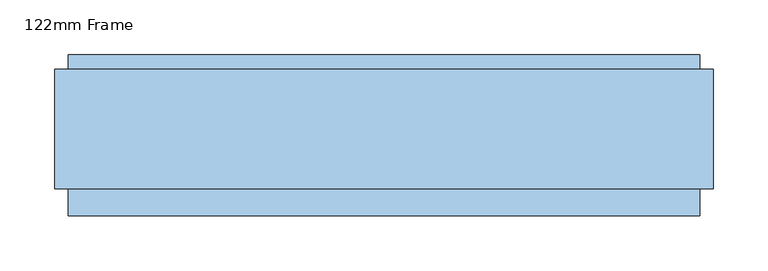
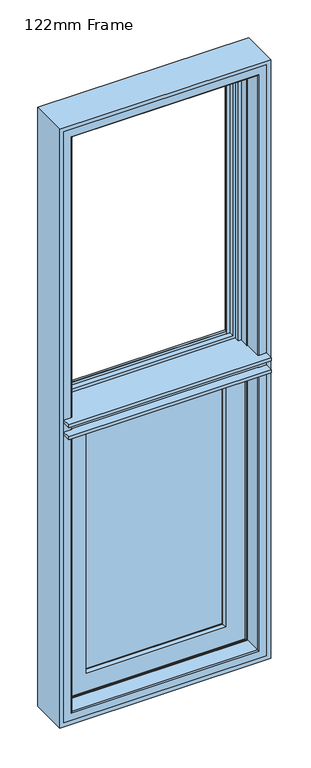
"""IFC4 building model written with IfcOpenShell, lengths in millimetres: window geometry, 122mm Frame."""

import ifcopenshell
import ifcopenshell.guid

model = None  # the IFC model being written
_history = None  # IfcOwnerHistory: only IFC2X3 demands one
_inside = {}  # id of a spatial element -> (the spatial element, [elements in it])
_under = {}  # id of a project, library or spatial element -> (it, [spatial elements below it])
_declared = {}  # id of a project -> (the project, [libraries it declares])
_typed = {}  # id of a type object -> (the type object, [elements of that type])
_made_of = {}  # id of a material, layer set ... -> (it, [elements and type objects made of it])


def new_model(schema):
    """Start an empty IFC model of exactly this schema.

    Asked for "IFC4X3", IfcOpenShell would pick the latest addendum, in which some entities
    have other attributes; the version numbers below select the first issue.
    IFC2X3 requires an IfcOwnerHistory on every rooted entity: one is made here for all.
    """
    global model, _history
    if schema == "IFC4X3":
        model = ifcopenshell.file(schema_version=(4, 3, 0, 0))
    else:
        model = ifcopenshell.file(schema=schema)
    _inside.clear()
    _under.clear()
    _declared.clear()
    _typed.clear()
    _made_of.clear()
    _history = None
    if model.schema == "IFC2X3":
        org = make("IfcOrganization", Name="unknown")
        user = make(
            "IfcPersonAndOrganization",
            ThePerson=make("IfcPerson", FamilyName="unknown"),
            TheOrganization=org,
        )
        app = make(
            "IfcApplication",
            ApplicationDeveloper=org,
            Version="unknown",
            ApplicationFullName="unknown",
            ApplicationIdentifier="unknown",
        )
        _history = make(
            "IfcOwnerHistory",
            OwningUser=user,
            OwningApplication=app,
            ChangeAction="ADDED",
            CreationDate=0,
        )
    return model


def make(cls, **values):
    """One entity of the class cls with the attributes given. An attribute that is None is left unset."""
    return model.create_entity(
        cls, **{name: value for name, value in values.items() if value is not None}
    )


def rooted(cls, **values):
    """An entity with a GlobalId (a new one), such as an element, a storey or a relation."""
    return make(cls, GlobalId=ifcopenshell.guid.new(), OwnerHistory=_history, **values)


def si_unit(unit_type, name, prefix=None):
    """IfcSIUnit, for example si_unit("LENGTHUNIT", "METRE", prefix="MILLI")."""
    return make("IfcSIUnit", UnitType=unit_type, Prefix=prefix, Name=name)


def assignment(units):
    """IfcUnitAssignment: the units of a project."""
    return None if units is None else make("IfcUnitAssignment", Units=units)


def point(xyz):
    """IfcCartesianPoint."""
    return None if xyz is None else make("IfcCartesianPoint", Coordinates=xyz)


def direction(xyz):
    """IfcDirection."""
    return None if xyz is None else make("IfcDirection", DirectionRatios=xyz)


def frame(location, z_axis=None, x_axis=None):
    """IfcAxis2Placement3D, a coordinate frame: its origin and axes. An axis left out is left unset."""
    return make(
        "IfcAxis2Placement3D",
        Location=point(location),
        Axis=direction(z_axis),
        RefDirection=direction(x_axis),
    )


def origin():
    """The frame at (0, 0, 0) with its axes left unset."""
    return frame((0.0, 0.0, 0.0))


def place(relative_to, where):
    """IfcLocalPlacement: puts the frame where relative to a parent placement (None: the world)."""
    return make(
        "IfcLocalPlacement", PlacementRelTo=relative_to, RelativePlacement=where
    )


def context(
    kind, dimensions, precision=None, world=None, true_north=None, identifier=None
):
    """IfcGeometricRepresentationContext, for example the 3D "Model" context."""
    return make(
        "IfcGeometricRepresentationContext",
        ContextIdentifier=identifier,
        ContextType=kind,
        CoordinateSpaceDimension=dimensions,
        Precision=precision,
        WorldCoordinateSystem=world,
        TrueNorth=true_north,
    )


def project(units=None, contexts=None):
    """IfcProject with its units and contexts."""
    return rooted(
        "IfcProject",
        Name="project",
        RepresentationContexts=contexts,
        UnitsInContext=assignment(units),
    )


def spatial(cls, under=None, at=None, **own):
    """A site, building, storey or space (cls), placed at a placement, below another one or the project."""
    s = rooted(cls, ObjectPlacement=at, **own)
    if under is not None:
        _under.setdefault(under.id(), (under, []))[1].append(s)
    return s


def polyline(points):
    """IfcPolyline through the points."""
    return make("IfcPolyline", Points=[point(p) for p in points])


def circle_curve(where, radius):
    """IfcCircle in the frame where."""
    return make("IfcCircle", Position=where, Radius=radius)


def ellipse_curve(where, semi_axis1, semi_axis2):
    """IfcEllipse in the frame where."""
    return make(
        "IfcEllipse", Position=where, SemiAxis1=semi_axis1, SemiAxis2=semi_axis2
    )


def outline(outer, holes=None, kind="AREA"):
    """IfcArbitraryClosedProfileDef: a profile drawn as a closed curve; with holes, ...WithVoids."""
    if holes is None:
        return make("IfcArbitraryClosedProfileDef", ProfileType=kind, OuterCurve=outer)
    return make(
        "IfcArbitraryProfileDefWithVoids",
        ProfileType=kind,
        OuterCurve=outer,
        InnerCurves=holes,
    )


def extrude(swept, where, along, depth):
    """IfcExtrudedAreaSolid: the profile swept, set in the frame where, extruded along a direction by depth."""
    return make(
        "IfcExtrudedAreaSolid",
        SweptArea=swept,
        Position=where,
        ExtrudedDirection=direction(along),
        Depth=depth,
    )


def shape(context_of_items, identifier, shape_type, items):
    """IfcShapeRepresentation: the items that make up one representation, for example the "Body"."""
    return make(
        "IfcShapeRepresentation",
        ContextOfItems=context_of_items,
        RepresentationIdentifier=identifier,
        RepresentationType=shape_type,
        Items=items,
    )


def source(mapping_origin, context_of_items, identifier, shape_type, items):
    """IfcRepresentationMap: a shape defined once, which mapped items show again and again."""
    return make(
        "IfcRepresentationMap",
        MappingOrigin=mapping_origin,
        MappedRepresentation=shape(context_of_items, identifier, shape_type, items),
    )


def transform(
    local_origin,
    x_axis=None,
    y_axis=None,
    z_axis=None,
    scale=None,
    scale2=None,
    scale3=None,
    uniform=True,
):
    """IfcCartesianTransformationOperator3D, or its non-uniform kind. x_axis, y_axis, z_axis: its Axis1, 2, 3."""
    if uniform:
        return make(
            "IfcCartesianTransformationOperator3D",
            Axis1=direction(x_axis),
            Axis2=direction(y_axis),
            LocalOrigin=point(local_origin),
            Scale=scale,
            Axis3=direction(z_axis),
        )
    return make(
        "IfcCartesianTransformationOperator3DnonUniform",
        Axis1=direction(x_axis),
        Axis2=direction(y_axis),
        LocalOrigin=point(local_origin),
        Scale=scale,
        Axis3=direction(z_axis),
        Scale2=scale2,
        Scale3=scale3,
    )


def mapped(mapping_source, mapping_target):
    """IfcMappedItem: shows the shape of a source again, moved by a transform."""
    return make(
        "IfcMappedItem", MappingSource=mapping_source, MappingTarget=mapping_target
    )


def made_of(thing, what):
    """Note that an element or type object is made of a material, layer set ...; save() writes the relation."""
    if what is not None:
        _made_of.setdefault(what.id(), (what, []))[1].append(thing)
    return thing


def element(
    cls,
    number,
    at=None,
    inside=None,
    cuts=None,
    type_object=None,
    material=None,
    context=None,
    identifier="Body",
    shape_type=None,
    held_by="IfcProductDefinitionShape",
    body=None,
    shapes=None,
    **own,
):
    """One element of the class cls, such as IfcWall. Its Tag is "e" and its number.

    at: its placement. inside: the storey or other place that contains it. cuts: it is an
    opening in that element (IfcRelVoidsElement). A single representation is given by context,
    identifier, shape_type and body (its items); several are given by shapes. held_by: the class
    of the entity that holds the representations. save() writes the other relations.
    """
    e = rooted(cls, Tag="e%d" % number, ObjectPlacement=at, **own)
    if body is not None:
        shapes = [shape(context, identifier, shape_type, body)]
    if shapes is not None:
        e.Representation = make(held_by, Representations=shapes)
    if inside is not None:
        _inside.setdefault(inside.id(), (inside, []))[1].append(e)
    if cuts is not None:
        rooted(
            "IfcRelVoidsElement", RelatingBuildingElement=cuts, RelatedOpeningElement=e
        )
    if type_object is not None:
        _typed.setdefault(type_object.id(), (type_object, []))[1].append(e)
    return made_of(e, material)


def aggregate(whole, parts):
    """IfcRelAggregates: a whole, such as a stair, and the parts it consists of."""
    return rooted("IfcRelAggregates", RelatingObject=whole, RelatedObjects=parts)


def save(model, path):
    """Write the relations noted so far, then the file.

    IfcRelAggregates (storeys below a building ...), IfcRelContainedInSpatialStructure (elements
    in a storey), IfcRelDefinesByType, IfcRelAssociatesMaterial and IfcRelDeclares: one each for
    every whole, place, type object, material and project.
    """
    for whole, parts in _under.values():
        aggregate(whole, parts)
    for where, things in _inside.values():
        rooted(
            "IfcRelContainedInSpatialStructure",
            RelatedElements=things,
            RelatingStructure=where,
        )
    for kind, things in _typed.values():
        rooted("IfcRelDefinesByType", RelatedObjects=things, RelatingType=kind)
    for what, things in _made_of.values():
        rooted("IfcRelAssociatesMaterial", RelatedObjects=things, RelatingMaterial=what)
    for by, libraries in _declared.values():
        rooted("IfcRelDeclares", RelatingContext=by, RelatedDefinitions=libraries)
    model.write(path)


def plane_surface(at):
    """IfcPlane: the flat surface through the origin of the frame at, square to its z axis."""
    return make("IfcPlane", Position=at)


def cylinder_surface(at, radius):
    """IfcCylindricalSurface: all points at the distance radius from the z axis of the frame at."""
    return make("IfcCylindricalSurface", Position=at, Radius=radius)


def revolved_surface(curve, axis_point, axis_direction):
    """IfcSurfaceOfRevolution: the curve turned about the line through axis_point along axis_direction."""
    return make(
        "IfcSurfaceOfRevolution",
        SweptCurve=make("IfcArbitraryOpenProfileDef", ProfileType="CURVE", Curve=curve),
        AxisPosition=make("IfcAxis1Placement", Location=point(axis_point), Axis=direction(axis_direction)),
    )


def advanced_brep(points, edges, surfaces, faces):
    """IfcAdvancedBrep: a solid bounded by faces that lie on surfaces and meet in shared edges.

    An edge is (start, end): straight between two places in points (the first is 0);
    or (start, end, curve); or (start, end, curve, False) where it runs against its curve.
    A face is (place in surfaces, loops), or (place, loops, False) where it looks against
    its surface's normal. A loop lists edges by number (the first is 1), with a minus sign
    where the edge is run from its end to its start. The first loop is the outer one.
    """
    corners = [point(p) for p in points]
    vertices = [make("IfcVertexPoint", VertexGeometry=c) for c in corners]
    made = []
    for start, end, *more in edges:
        made.append(
            make(
                "IfcEdgeCurve",
                EdgeStart=vertices[start],
                EdgeEnd=vertices[end],
                EdgeGeometry=more[0] if more else make("IfcPolyline", Points=[corners[start], corners[end]]),
                SameSense=more[1] if len(more) > 1 else True,
            )
        )
    hull = []
    for where, loops, *sense in faces:
        bounds = []
        for j, loop in enumerate(loops):
            ring = [make("IfcOrientedEdge", EdgeElement=made[abs(k) - 1], Orientation=k > 0) for k in loop]
            bounds.append(
                make(
                    "IfcFaceOuterBound" if j == 0 else "IfcFaceBound",
                    Bound=make("IfcEdgeLoop", EdgeList=ring),
                    Orientation=True,
                )
            )
        hull.append(make("IfcAdvancedFace", Bounds=bounds, FaceSurface=surfaces[where], SameSense=sense[0] if sense else True))
    return make("IfcAdvancedBrep", Outer=make("IfcClosedShell", CfsFaces=hull))


def window_122mm_frame_d773d262(model_context):
    return source(origin(), model_context, "Body", "SolidModel", [
        extrude(outline(polyline([(-210.0, 141.0), (210.0, 141.0), (210.0, 93.0), (-210.0, 93.0), (-210.0, 141.0)])), frame((0.0, 0.0, 890.0), z_axis=(0.0, 0.0, 1.0), x_axis=(1.0, 0.0, 0.0)), (0.0, 0.0, 1.0), 744.0),
        advanced_brep(
        [(-232.3998467, 148.4070391, 1656.3998467), (-232.3998467, 153.0, 1656.3998467), (-232.3998467, 153.0, 867.6001533), (-232.3998467, 148.4070391, 867.6001533), (232.3998467, 153.0, 1656.3998467), (232.3998467, 153.0, 867.6001533), (-212.9631076, 153.0, 887.0368924), (212.9631076, 153.0, 887.0368924), (212.9631076, 153.0, 1636.9631076), (-212.9631076, 153.0, 1636.9631076), (232.3998467, 148.4070391, 867.6001533), (-237.6739389, 139.5531262, 1661.6739389), (-237.6739389, 139.5531262, 862.3260611), (237.6739389, 139.5531262, 862.3260611), (-239.5133955, 139.5531262, 1663.5133955), (239.5133955, 139.5531262, 1663.5133955), (239.5133955, 139.5531262, 860.4866045), (-239.5133955, 139.5531262, 860.4866045), (237.6739389, 139.5531262, 1661.6739389), (-239.5133955, 121.0, 1663.5133955), (-239.5133955, 121.0, 860.4866045), (239.5133955, 121.0, 860.4866045), (-249.5133955, 121.0, 1673.5133955), (249.5133955, 121.0, 1673.5133955), (249.5133955, 121.0, 850.4866045), (-249.5133955, 121.0, 850.4866045), (239.5133955, 121.0, 1663.5133955), (-249.5133955, 88.5, 1673.5133955), (-249.5133955, 88.5, 850.4866045), (249.5133955, 88.5, 850.4866045), (-260.2977, 88.5, 1684.2977), (260.2976999, 88.5, 1684.2977), (260.2976999, 88.5, 839.7023), (-260.2977, 88.5, 839.7023), (249.5133955, 88.5, 1673.5133955), (-260.2977, 83.5, 1684.2977), (-260.2977, 83.5, 839.7023), (260.2976999, 83.5, 839.7023), (260.2976999, 83.5, 1684.2977), (-253.5, 83.5, 1677.5), (253.5, 83.5, 1677.5), (253.5, 83.5, 846.5), (-253.5, 83.5, 846.5), (-253.5, 78.0, 1677.5), (-253.5, 78.0, 846.5), (253.5, 78.0, 846.5), (253.5, 78.0, 1677.5), (-198.3157816, 78.0, 1622.3157816), (198.3157816, 78.0, 1622.3157816), (198.3157816, 78.0, 901.6842184), (-198.3157816, 78.0, 901.6842184), (-196.0003067, 88.8934531, 1620.0003067), (-196.0003067, 88.8934531, 903.9996933), (196.0003067, 88.8934531, 903.9996933), (-196.0003067, 93.0, 1620.0003067), (-196.0003067, 93.0, 903.9996933), (196.0003067, 93.0, 903.9996933), (-210.0, 93.0, 1634.0), (210.0, 93.0, 1634.0), (210.0, 93.0, 890.0), (-210.0, 93.0, 890.0), (196.0003067, 93.0, 1620.0003067), (-210.0, 141.0, 1634.0), (-210.0, 141.0, 890.0), (210.0, 141.0, 890.0), (210.0, 141.0, 1634.0), (-195.5878486, 141.0, 1619.5878486), (195.5878486, 141.0, 1619.5878486), (195.5878486, 141.0, 904.4121514), (-195.5878486, 141.0, 904.4121514), (-199.2566168, 153.0, 1623.2566168), (-199.2566168, 153.0, 900.7433832), (199.2566168, 153.0, 900.7433832), (-206.0349044, 153.0, 1630.0349044), (206.0349044, 153.0, 1630.0349044), (206.0349044, 153.0, 893.9650956), (-206.0349044, 153.0, 893.9650956), (199.2566168, 153.0, 1623.2566168), (-207.3339425, 152.25, 1631.3339425), (-207.3339425, 152.25, 892.6660575), (207.3339425, 152.25, 892.6660575), (-211.6640695, 152.25, 1635.6640695), (-211.6640695, 152.25, 888.3359305), (211.6640695, 152.25, 888.3359305), (232.3998467, 148.4070391, 1656.3998467), (196.0003067, 88.8934531, 1620.0003067), (207.3339425, 152.25, 1631.3339425), (211.6640695, 152.25, 1635.6640695)],
        [
            (0, 1),
            (1, 2),
            (2, 3),
            (3, 0),
            (1, 4),
            (4, 5),
            (5, 2),
            (6, 7),
            (7, 8),
            (8, 9),
            (9, 6),
            (5, 10),
            (10, 3),
            (11, 0),
            (3, 12),
            (12, 11),
            (10, 13),
            (13, 12),
            (14, 15),
            (15, 16),
            (16, 17),
            (17, 14),
            (13, 18),
            (18, 11),
            (19, 14),
            (17, 20),
            (20, 19),
            (16, 21),
            (21, 20),
            (22, 23),
            (23, 24),
            (24, 25),
            (25, 22),
            (21, 26),
            (26, 19),
            (27, 22),
            (25, 28),
            (28, 27),
            (24, 29),
            (29, 28),
            (30, 31),
            (31, 32),
            (32, 33),
            (33, 30),
            (29, 34),
            (34, 27),
            (35, 30),
            (33, 36),
            (36, 35),
            (32, 37),
            (37, 36),
            (37, 38),
            (38, 35),
            (39, 40),
            (40, 41),
            (41, 42),
            (42, 39),
            (43, 39),
            (42, 44),
            (44, 43),
            (41, 45),
            (45, 44),
            (45, 46),
            (46, 43),
            (47, 48),
            (48, 49),
            (49, 50),
            (50, 47),
            (51, 47),
            (50, 52),
            (52, 51),
            (49, 53),
            (53, 52),
            (54, 51),
            (52, 55),
            (55, 54),
            (53, 56),
            (56, 55),
            (57, 58),
            (58, 59),
            (59, 60),
            (60, 57),
            (56, 61),
            (61, 54),
            (62, 57),
            (60, 63),
            (63, 62),
            (59, 64),
            (64, 63),
            (64, 65),
            (65, 62),
            (66, 67),
            (67, 68),
            (68, 69),
            (69, 66),
            (70, 66),
            (69, 71),
            (71, 70),
            (68, 72),
            (72, 71),
            (73, 74),
            (74, 75),
            (75, 76),
            (76, 73),
            (72, 77),
            (77, 70),
            (78, 73, ellipse_curve(frame((-206.0349044, 151.5, 1630.0349044), z_axis=(-0.7071067811865475, 0.0, -0.7071067811865475), x_axis=(-0.7071067811865474, 0.0, 0.7071067811865476)), 2.1213203, 1.5)),
            (76, 79, ellipse_curve(frame((-206.0349044, 151.5, 893.9650956), z_axis=(-0.7071067811865475, 0.0, 0.7071067811865475), x_axis=(0.7071067811865474, 0.0, 0.7071067811865476)), 2.1213203, 1.5)),
            (79, 78),
            (75, 80, ellipse_curve(frame((206.0349044, 151.5, 893.9650956), z_axis=(-0.7071067811865475, 0.0, -0.7071067811865475), x_axis=(-0.7071067811865476, 0.0, 0.7071067811865474)), 2.1213203, 1.5)),
            (80, 79),
            (81, 78, ellipse_curve(frame((-209.499006, 153.5, 1633.499006), z_axis=(0.7071067811865475, 0.0, 0.7071067811865475), x_axis=(0.7071067811865474, 0.0, -0.7071067811865476)), 3.5355339, 2.5)),
            (79, 82, ellipse_curve(frame((-209.499006, 153.5, 890.500994), z_axis=(0.7071067811865475, 0.0, -0.7071067811865475), x_axis=(-0.7071067811865474, 0.0, -0.7071067811865476)), 3.5355339, 2.5)),
            (82, 81),
            (80, 83, ellipse_curve(frame((209.499006, 153.5, 890.500994), z_axis=(0.7071067811865475, 0.0, 0.7071067811865475), x_axis=(0.7071067811865476, 0.0, -0.7071067811865474)), 3.5355339, 2.5)),
            (83, 82),
            (9, 81, ellipse_curve(frame((-212.9631076, 151.5, 1636.9631076), z_axis=(-0.7071067811865475, 0.0, -0.7071067811865475), x_axis=(-0.7071067811865474, 0.0, 0.7071067811865476)), 2.1213203, 1.5)),
            (82, 6, ellipse_curve(frame((-212.9631076, 151.5, 887.0368924), z_axis=(-0.7071067811865475, 0.0, 0.7071067811865475), x_axis=(0.7071067811865474, 0.0, 0.7071067811865476)), 2.1213203, 1.5)),
            (83, 7, ellipse_curve(frame((212.9631076, 151.5, 887.0368924), z_axis=(-0.7071067811865475, 0.0, -0.7071067811865475), x_axis=(-0.7071067811865476, 0.0, 0.7071067811865474)), 2.1213203, 1.5)),
            (4, 84),
            (84, 10),
            (84, 18),
            (15, 26),
            (23, 34),
            (31, 38),
            (40, 46),
            (48, 85),
            (85, 53),
            (85, 61),
            (58, 65),
            (67, 77),
            (74, 86, ellipse_curve(frame((206.0349044, 151.5, 1630.0349044), z_axis=(0.7071067811865475, 0.0, -0.7071067811865475), x_axis=(-0.7071067811865474, 0.0, -0.7071067811865476)), 2.1213203, 1.5)),
            (86, 80),
            (86, 87, ellipse_curve(frame((209.499006, 153.5, 1633.499006), z_axis=(-0.7071067811865475, 0.0, 0.7071067811865475), x_axis=(0.7071067811865474, 0.0, 0.7071067811865476)), 3.5355339, 2.5)),
            (87, 83),
            (87, 8, ellipse_curve(frame((212.9631076, 151.5, 1636.9631076), z_axis=(0.7071067811865475, 0.0, -0.7071067811865475), x_axis=(-0.7071067811865474, 0.0, -0.7071067811865476)), 2.1213203, 1.5)),
            (0, 84),
            (51, 85),
            (78, 86),
            (81, 87),
        ],
        [
            plane_surface(frame((-232.3998467, 153.0, 1656.3998467), z_axis=(-1.0, 0.0, 0.0), x_axis=(0.0, 0.0, -1.0))),
            plane_surface(frame((212.9631076, 153.0, 1636.9631076), z_axis=(0.0, 1.0, 0.0), x_axis=(-1.0, 0.0, 0.0))),
            plane_surface(frame((-232.3998467, 153.0, 867.6001533), z_axis=(0.0, 0.0, -1.0), x_axis=(1.0, 0.0, 0.0))),
            plane_surface(frame((-232.3998467, 148.4070391, 1656.3998467), z_axis=(-0.8591262587254928, 0.5117636872310675, 0.0), x_axis=(0.0, 0.0, -1.0))),
            plane_surface(frame((-232.3998467, 148.4070391, 867.6001533), z_axis=(0.0, 0.5117636872310675, -0.8591262587254928), x_axis=(1.0, 0.0, 0.0))),
            plane_surface(frame((237.6739389, 139.5531262, 1661.6739389), z_axis=(0.0, 1.0, 0.0), x_axis=(-1.0, 0.0, 0.0))),
            plane_surface(frame((-239.5133955, 139.5531262, 1663.5133955), z_axis=(-1.0, 0.0, 0.0), x_axis=(0.0, 0.0, -1.0))),
            plane_surface(frame((-239.5133955, 139.5531262, 860.4866045), z_axis=(0.0, 0.0, -1.0), x_axis=(1.0, 0.0, 0.0))),
            plane_surface(frame((239.5133955, 121.0, 1663.5133955), z_axis=(0.0, 1.0, 0.0), x_axis=(-1.0, 0.0, 0.0))),
            plane_surface(frame((-249.5133955, 121.0, 1673.5133955), z_axis=(-1.0, 0.0, 0.0), x_axis=(0.0, 0.0, -1.0))),
            plane_surface(frame((-249.5133955, 121.0, 850.4866045), z_axis=(0.0, 0.0, -1.0), x_axis=(1.0, 0.0, 0.0))),
            plane_surface(frame((249.5133955, 88.5, 1673.5133955), z_axis=(0.0, 1.0, 0.0), x_axis=(-1.0, 0.0, 0.0))),
            plane_surface(frame((-260.2977, 88.5, 1684.2977), z_axis=(-1.0, 0.0, 0.0), x_axis=(0.0, 0.0, -1.0))),
            plane_surface(frame((-260.2977, 88.5, 839.7023), z_axis=(0.0, 0.0, -1.0), x_axis=(1.0, 0.0, 0.0))),
            plane_surface(frame((260.2976999, 83.5, 1684.2977), z_axis=(0.0, -1.0, 0.0), x_axis=(-1.0, 0.0, 0.0))),
            plane_surface(frame((-253.5, 83.5, 1677.5), z_axis=(-1.0, 0.0, 0.0), x_axis=(0.0, 0.0, -1.0))),
            plane_surface(frame((-253.5, 83.5, 846.5), z_axis=(0.0, 0.0, -1.0), x_axis=(1.0, 0.0, 0.0))),
            plane_surface(frame((253.5, 78.0, 1677.5), z_axis=(0.0, -1.0, 0.0), x_axis=(-1.0, 0.0, 0.0))),
            plane_surface(frame((-198.3157816, 78.0, 1622.3157816), z_axis=(0.9781476007338071, -0.2079116908177525, 0.0), x_axis=(0.0, 0.0, -1.0))),
            plane_surface(frame((-198.3157816, 78.0, 901.6842184), z_axis=(0.0, -0.2079116908177525, 0.9781476007338071), x_axis=(1.0, 0.0, 0.0))),
            plane_surface(frame((-196.0003067, 88.8934531, 1620.0003067), z_axis=(1.0, 0.0, 0.0), x_axis=(0.0, 0.0, -1.0))),
            plane_surface(frame((-196.0003067, 88.8934531, 903.9996933), z_axis=(0.0, 0.0, 1.0), x_axis=(1.0, 0.0, 0.0))),
            plane_surface(frame((196.0003067, 93.0, 1620.0003067), z_axis=(0.0, 1.0, 0.0), x_axis=(-1.0, 0.0, 0.0))),
            plane_surface(frame((-210.0, 93.0, 1634.0), z_axis=(1.0, 0.0, 0.0), x_axis=(0.0, 0.0, -1.0))),
            plane_surface(frame((-210.0, 93.0, 890.0), z_axis=(0.0, 0.0, 1.0), x_axis=(1.0, 0.0, 0.0))),
            plane_surface(frame((210.0, 141.0, 1634.0), z_axis=(0.0, -1.0, 0.0), x_axis=(-1.0, 0.0, 0.0))),
            plane_surface(frame((-195.5878486, 141.0, 1619.5878486), z_axis=(0.9563047559629785, 0.2923717047229235, 0.0), x_axis=(0.0, 0.0, -1.0))),
            plane_surface(frame((-195.5878486, 141.0, 904.4121514), z_axis=(0.0, 0.2923717047229235, 0.9563047559629785), x_axis=(1.0, 0.0, 0.0))),
            plane_surface(frame((199.2566168, 153.0, 1623.2566168), z_axis=(0.0, 1.0, 0.0), x_axis=(-1.0, 0.0, 0.0))),
            cylinder_surface(frame((-206.0349044, 151.5, 1661.6), z_axis=(0.0, 0.0, 1.0), x_axis=(0.0, 1.0, 0.0)), 1.5),
            cylinder_surface(frame((-237.6, 151.5, 893.9650956), z_axis=(-1.0, 0.0, 0.0), x_axis=(0.0, 1.0, 0.0)), 1.5),
            revolved_surface(polyline([(-209.499006, 156.0, 888.000994004195), (-209.499006, 156.0, 1635.999005995805)]), (-209.499006, 153.5, 1661.6), (0.0, 0.0, -1.0)),
            revolved_surface(polyline([(211.99900599580494, 156.0, 890.500994), (-211.99900599580494, 156.0, 890.500994)]), (-237.6, 153.5, 890.500994), (1.0, 0.0, 0.0)),
            cylinder_surface(frame((-212.9631076, 151.5, 1661.6), z_axis=(0.0, 0.0, 1.0), x_axis=(0.0, 1.0, 0.0)), 1.5),
            cylinder_surface(frame((-237.6, 151.5, 887.0368924), z_axis=(-1.0, 0.0, 0.0), x_axis=(0.0, 1.0, 0.0)), 1.5),
            plane_surface(frame((232.3998467, 153.0, 867.6001533), z_axis=(1.0, 0.0, 0.0), x_axis=(0.0, 0.0, 1.0))),
            plane_surface(frame((232.3998467, 148.4070391, 867.6001533), z_axis=(0.8591262587254928, 0.5117636872310675, 0.0), x_axis=(0.0, 0.0, 1.0))),
            plane_surface(frame((239.5133955, 139.5531262, 860.4866045), z_axis=(1.0, 0.0, 0.0), x_axis=(0.0, 0.0, 1.0))),
            plane_surface(frame((249.5133955, 121.0, 850.4866045), z_axis=(1.0, 0.0, 0.0), x_axis=(0.0, 0.0, 1.0))),
            plane_surface(frame((260.2976999, 88.5, 839.7023), z_axis=(1.0, 0.0, 0.0), x_axis=(0.0, 0.0, 1.0))),
            plane_surface(frame((253.5, 83.5, 846.5), z_axis=(1.0, 0.0, 0.0), x_axis=(0.0, 0.0, 1.0))),
            plane_surface(frame((198.3157816, 78.0, 901.6842184), z_axis=(-0.9781476007338071, -0.2079116908177525, 0.0), x_axis=(0.0, 0.0, 1.0))),
            plane_surface(frame((196.0003067, 88.8934531, 903.9996933), z_axis=(-1.0, 0.0, 0.0), x_axis=(0.0, 0.0, 1.0))),
            plane_surface(frame((210.0, 93.0, 890.0), z_axis=(-1.0, 0.0, 0.0), x_axis=(0.0, 0.0, 1.0))),
            plane_surface(frame((195.5878486, 141.0, 904.4121514), z_axis=(-0.9563047559629785, 0.2923717047229235, 0.0), x_axis=(0.0, 0.0, 1.0))),
            cylinder_surface(frame((206.0349044, 151.5, 862.4), z_axis=(0.0, 0.0, -1.0), x_axis=(0.0, 1.0, 0.0)), 1.5),
            revolved_surface(polyline([(209.499006, 156.0, 1635.999005995805), (209.499006, 156.0, 888.000994004195)]), (209.499006, 153.5, 862.4), (0.0, 0.0, 1.0)),
            cylinder_surface(frame((212.9631076, 151.5, 862.4), z_axis=(0.0, 0.0, -1.0), x_axis=(0.0, 1.0, 0.0)), 1.5),
            plane_surface(frame((232.3998467, 153.0, 1656.3998467), z_axis=(0.0, 0.0, 1.0), x_axis=(-1.0, 0.0, 0.0))),
            plane_surface(frame((232.3998467, 148.4070391, 1656.3998467), z_axis=(0.0, 0.5117636872310675, 0.8591262587254928), x_axis=(-1.0, 0.0, 0.0))),
            plane_surface(frame((239.5133955, 139.5531262, 1663.5133955), z_axis=(0.0, 0.0, 1.0), x_axis=(-1.0, 0.0, 0.0))),
            plane_surface(frame((249.5133955, 121.0, 1673.5133955), z_axis=(0.0, 0.0, 1.0), x_axis=(-1.0, 0.0, 0.0))),
            plane_surface(frame((260.2976999, 88.5, 1684.2977), z_axis=(0.0, 0.0, 1.0), x_axis=(-1.0, 0.0, 0.0))),
            plane_surface(frame((253.5, 83.5, 1677.5), z_axis=(0.0, 0.0, 1.0), x_axis=(-1.0, 0.0, 0.0))),
            plane_surface(frame((198.3157816, 78.0, 1622.3157816), z_axis=(0.0, -0.2079116908177525, -0.9781476007338071), x_axis=(-1.0, 0.0, 0.0))),
            plane_surface(frame((196.0003067, 88.8934531, 1620.0003067), z_axis=(0.0, 0.0, -1.0), x_axis=(-1.0, 0.0, 0.0))),
            plane_surface(frame((210.0, 93.0, 1634.0), z_axis=(0.0, 0.0, -1.0), x_axis=(-1.0, 0.0, 0.0))),
            plane_surface(frame((195.5878486, 141.0, 1619.5878486), z_axis=(0.0, 0.2923717047229235, -0.9563047559629785), x_axis=(-1.0, 0.0, 0.0))),
            cylinder_surface(frame((237.6, 151.5, 1630.0349044), z_axis=(1.0, 0.0, 0.0), x_axis=(0.0, 1.0, 0.0)), 1.5),
            revolved_surface(polyline([(-211.99900599580494, 156.0, 1633.499006), (211.99900599580494, 156.0, 1633.499006)]), (237.6, 153.5, 1633.499006), (-1.0, 0.0, 0.0)),
            cylinder_surface(frame((237.6, 151.5, 1636.9631076), z_axis=(1.0, 0.0, 0.0), x_axis=(0.0, 1.0, 0.0)), 1.5),
        ],
        [
            (0, [[1, 2, 3, 4]]),
            (1, [[5, 6, 7, -2], [8, 9, 10, 11]]),
            (2, [[-3, -7, 12, 13]]),
            (3, [[14, -4, 15, 16]]),
            (4, [[-15, -13, 17, 18]]),
            (5, [[19, 20, 21, 22], [-18, 23, 24, -16]]),
            (6, [[25, -22, 26, 27]]),
            (7, [[-26, -21, 28, 29]]),
            (8, [[30, 31, 32, 33], [-29, 34, 35, -27]]),
            (9, [[36, -33, 37, 38]]),
            (10, [[-37, -32, 39, 40]]),
            (11, [[41, 42, 43, 44], [-40, 45, 46, -38]]),
            (12, [[47, -44, 48, 49]]),
            (13, [[-48, -43, 50, 51]]),
            (14, [[-51, 52, 53, -49], [54, 55, 56, 57]]),
            (15, [[58, -57, 59, 60]]),
            (16, [[-59, -56, 61, 62]]),
            (17, [[-62, 63, 64, -60], [65, 66, 67, 68]]),
            (18, [[69, -68, 70, 71]]),
            (19, [[-70, -67, 72, 73]]),
            (20, [[74, -71, 75, 76]]),
            (21, [[-75, -73, 77, 78]]),
            (22, [[79, 80, 81, 82], [-78, 83, 84, -76]]),
            (23, [[85, -82, 86, 87]]),
            (24, [[-86, -81, 88, 89]]),
            (25, [[-89, 90, 91, -87], [92, 93, 94, 95]]),
            (26, [[96, -95, 97, 98]]),
            (27, [[-97, -94, 99, 100]]),
            (28, [[101, 102, 103, 104], [-100, 105, 106, -98]]),
            (29, [[107, -104, 108, 109]]),
            (30, [[-108, -103, 110, 111]]),
            (31, [[112, -109, 113, 114]]),
            (32, [[-113, -111, 115, 116]]),
            (33, [[117, -114, 118, -11]]),
            (34, [[-118, -116, 119, -8]]),
            (35, [[-12, -6, 120, 121]]),
            (36, [[-17, -121, 122, -23]]),
            (37, [[-28, -20, 123, -34]]),
            (38, [[-39, -31, 124, -45]]),
            (39, [[-50, -42, 125, -52]]),
            (40, [[-61, -55, 126, -63]]),
            (41, [[-72, -66, 127, 128]]),
            (42, [[-77, -128, 129, -83]]),
            (43, [[-88, -80, 130, -90]]),
            (44, [[-99, -93, 131, -105]]),
            (45, [[-110, -102, 132, 133]]),
            (46, [[-115, -133, 134, 135]]),
            (47, [[-119, -135, 136, -9]]),
            (48, [[-120, -5, -1, 137]]),
            (49, [[-122, -137, -14, -24]]),
            (50, [[-123, -19, -25, -35]]),
            (51, [[-124, -30, -36, -46]]),
            (52, [[-125, -41, -47, -53]]),
            (53, [[-126, -54, -58, -64]]),
            (54, [[-127, -65, -69, 138]]),
            (55, [[-129, -138, -74, -84]]),
            (56, [[-130, -79, -85, -91]]),
            (57, [[-131, -92, -96, -106]]),
            (58, [[-132, -101, -107, 139]]),
            (59, [[-134, -139, -112, 140]]),
            (60, [[-136, -140, -117, -10]]),
        ],
    ),
        advanced_brep(
        [(-264.0, 35.0, 836.0), (-264.0, 83.0, 836.0), (-264.0, 83.0, 1677.9000002), (-264.0, 35.0, 1677.9000002), (-264.0, 83.0, 2564.0), (-264.0, 35.0, 2564.0), (-264.0, 35.0, 1722.0999998), (-264.0, 83.0, 1722.0999998), (-264.0, 35.0, 1688.0), (-264.0, 35.0, 1686.0), (-264.0, 83.0, 1686.0), (-264.0, 83.0, 1688.0), (-264.0, 35.0, 1714.0), (-264.0, 35.0, 1712.0), (-264.0, 83.0, 1712.0), (-264.0, 83.0, 1714.0), (264.0, 35.0, 836.0), (264.0, 83.0, 836.0), (264.0, 83.0, 1677.9000002), (262.0, 83.0, 1677.9000002), (262.0, 83.0, 838.0), (-262.0, 83.0, 838.0), (-262.0, 83.0, 1677.9000002), (264.0, 83.0, 2564.0), (-262.0, 83.0, 1722.0999998), (-262.0, 83.0, 2562.0), (262.0, 83.0, 2562.0), (262.0, 83.0, 1722.0999998), (264.0, 83.0, 1722.0999998), (264.0, 83.0, 1712.0), (264.0, 83.0, 1714.0), (264.0, 83.0, 1686.0), (264.0, 83.0, 1688.0), (-267.0, 32.0, 833.0), (-267.0, 32.0, 1677.9000002), (-267.0, 32.0, 2567.0), (-267.0, 32.0, 1722.0999998), (-267.0, 32.0, 1688.0), (-267.0, 32.0, 1686.0), (-267.0, 32.0, 1714.0), (-267.0, 32.0, 1712.0), (-262.0, 111.4, 838.0), (-262.0, 111.4, 1677.9000002), (-262.0, 111.4, 2562.0), (-262.0, 111.4, 1722.0999998), (262.0, 111.4, 838.0), (262.0, 111.4, 1677.9000002), (253.9000002, 111.4, 1677.9000002), (253.9000002, 111.4, 846.0999998), (-253.9000002, 111.4, 846.0999998), (-253.9000002, 111.4, 1677.9000002), (262.0, 111.4, 2562.0), (-253.9000002, 111.4, 1722.0999998), (-253.9000002, 111.4, 2553.9000002), (253.9000002, 111.4, 2553.9000002), (253.9000002, 111.4, 1722.0999998), (262.0, 111.4, 1722.0999998), (-253.9000002, 126.0, 846.0999998), (-253.9000002, 126.0, 1677.9000002), (-253.9000002, 126.0, 1722.0999998), (-253.9000002, 126.0, 2553.9000002), (253.9000002, 126.0, 846.0999998), (253.9000002, 126.0, 1677.9000002), (-246.7201943, 126.0, 853.2798057), (-246.7201943, 126.0, 1668.4), (246.7201943, 126.0, 1668.4), (246.7201943, 126.0, 853.2798057), (253.9000002, 126.0, 2553.9000002), (253.9000002, 126.0, 1722.0999998), (246.7201943, 126.0, 2546.7201943), (246.7201943, 126.0, 1731.6), (-246.7201943, 126.0, 1731.6), (-246.7201943, 126.0, 2546.7201943), (-246.7201943, 140.2372876, 853.2798057), (-246.7201943, 140.2372876, 1668.4), (-246.7201943, 140.2372876, 2546.7201943), (-246.7201943, 140.2372876, 1731.6), (246.7201943, 140.2372876, 853.2798057), (246.7201943, 140.2372876, 1668.4), (238.0131086, 140.2372876, 1668.4), (238.0131086, 140.2372876, 861.9868914), (-238.0131086, 140.2372876, 861.9868914), (-238.0131086, 140.2372876, 1668.4), (246.7201943, 140.2372876, 2546.7201943), (-238.0131086, 140.2372876, 1731.6), (-238.0131086, 140.2372876, 2538.0131086), (238.0131086, 140.2372876, 2538.0131086), (238.0131086, 140.2372876, 1731.6), (246.7201943, 140.2372876, 1731.6), (-238.0131086, 143.3877115, 861.9868914), (-238.0131086, 143.3877115, 1662.0131086), (-238.0131086, 141.0, 1662.0131086), (-238.0131086, 141.0, 1668.4), (-238.0131086, 143.3877115, 2538.0131086), (-238.0131086, 141.0, 1731.6), (-238.0131086, 141.0, 1737.9868914), (-238.0131086, 143.3877115, 1737.9868914), (238.0131086, 143.3877115, 861.9868914), (-241.2576108, 154.0, 858.7423892), (-241.2576108, 154.0, 1665.2576108), (-241.2576108, 154.0, 2541.2576108), (-241.2576108, 154.0, 1734.7423892), (241.2576108, 154.0, 858.7423892), (288.0, 154.0, 2588.0), (288.0, 154.0, 812.0), (-288.0, 154.0, 812.0), (-288.0, 154.0, 2588.0), (241.2576108, 154.0, 1665.2576108), (241.2576108, 154.0, 1734.7423892), (241.2576108, 154.0, 2541.2576108), (-288.0, 7.4, 1714.0), (-288.0, 7.4, 1722.0999998), (-288.0, 32.0, 1722.0999998), (-288.0, 32.0, 2588.0), (-288.0, 86.5, 2588.0), (-288.0, 86.5, 1722.0999998), (-288.0, 90.5, 1722.0999998), (-288.0, 90.5, 2588.0), (-288.0, 90.5, 812.0), (-288.0, 90.5, 1677.9000002), (-288.0, 86.5, 1677.9000002), (-288.0, 86.5, 812.0), (-288.0, 32.0, 812.0), (-288.0, 32.0, 1677.9000002), (-288.0, 7.4, 1677.9000002), (-288.0, 7.4, 1686.0), (-288.0, 32.0, 1686.0), (-288.0, 32.0, 1714.0), (288.0, 90.5, 812.0), (288.0, 90.5, 1677.9000002), (281.0, 90.5, 1677.9000002), (281.0, 90.5, 819.0), (-281.0, 90.5, 819.0), (-281.0, 90.5, 1677.9000002), (288.0, 90.5, 2588.0), (-281.0, 90.5, 1722.0999998), (-281.0, 90.5, 2581.0), (281.0, 90.5, 2581.0), (281.0, 90.5, 1722.0999998), (288.0, 90.5, 1722.0999998), (-281.0, 86.5, 819.0), (281.0, 86.5, 819.0), (281.0, 86.5, 1677.9000002), (288.0, 86.5, 1677.9000002), (288.0, 86.5, 812.0), (-281.0, 86.5, 1677.9000002), (281.0, 86.5, 2581.0), (-281.0, 86.5, 2581.0), (-281.0, 86.5, 1722.0999998), (288.0, 86.5, 2588.0), (288.0, 86.5, 1722.0999998), (281.0, 86.5, 1722.0999998), (288.0, 32.0, 812.0), (267.0, 32.0, 833.0), (288.0, 32.0, 1677.9000002), (267.0, 32.0, 1677.9000002), (267.0, 32.0, 2567.0), (267.0, 32.0, 1722.0999998), (288.0, 32.0, 1722.0999998), (288.0, 32.0, 2588.0), (267.0, 32.0, 1688.0), (267.0, 32.0, 1686.0), (288.0, 32.0, 1686.0), (288.0, 32.0, 1714.0), (267.0, 32.0, 1714.0), (267.0, 32.0, 1712.0), (264.0, 35.0, 1677.9000002), (264.0, 35.0, 2564.0), (264.0, 35.0, 1722.0999998), (264.0, 35.0, 1686.0), (264.0, 35.0, 1688.0), (264.0, 35.0, 1712.0), (264.0, 35.0, 1714.0), (238.0131086, 141.0, 1668.4), (238.0131086, 141.0, 1662.0131086), (238.0131086, 143.3877115, 1662.0131086), (238.0131086, 143.3877115, 2538.0131086), (238.0131086, 143.3877115, 1737.9868914), (238.0131086, 141.0, 1737.9868914), (238.0131086, 141.0, 1731.6), (288.0, 7.4, 1686.0), (288.0, 7.4, 1677.9000002), (288.0, 7.4, 1722.0999998), (288.0, 7.4, 1714.0)],
        [
            (0, 1),
            (1, 2),
            (2, 3),
            (3, 0),
            (4, 5),
            (5, 6),
            (6, 7),
            (7, 4),
            (8, 9),
            (9, 10),
            (10, 11),
            (11, 8),
            (12, 13),
            (13, 14),
            (14, 15),
            (15, 12),
            (0, 16),
            (16, 17),
            (17, 1),
            (17, 18),
            (18, 19),
            (19, 20),
            (20, 21),
            (21, 22),
            (22, 2),
            (23, 4),
            (7, 24),
            (24, 25),
            (25, 26),
            (26, 27),
            (27, 28),
            (28, 23),
            (14, 29),
            (29, 30),
            (30, 15),
            (31, 32),
            (32, 11),
            (10, 31),
            (33, 0, ellipse_curve(frame((-267.0, 35.0, 833.0), z_axis=(-0.7071067811865475, 0.0, 0.7071067811865475), x_axis=(0.7071067811865474, 0.0, 0.7071067811865476)), 4.2426407, 3.0)),
            (3, 34, circle_curve(frame((-267.0, 35.0, 1677.9000002), z_axis=(0.0, 0.0, -1.0), x_axis=(0.0, 1.0, 0.0)), 3.0)),
            (34, 33),
            (5, 35, ellipse_curve(frame((-267.0, 35.0, 2567.0), z_axis=(-0.7071067811865475, 0.0, -0.7071067811865475), x_axis=(-0.7071067811865474, 0.0, 0.7071067811865476)), 4.2426407, 3.0)),
            (35, 36),
            (36, 6, circle_curve(frame((-267.0, 35.0, 1722.0999998), z_axis=(0.0, 0.0, 1.0), x_axis=(0.0, 1.0, 0.0)), 3.0)),
            (8, 37, circle_curve(frame((-267.0, 35.0, 1688.0), z_axis=(0.0, 0.0, -1.0), x_axis=(0.0, 1.0, 0.0)), 3.0)),
            (37, 38),
            (38, 9, circle_curve(frame((-267.0, 35.0, 1686.0), z_axis=(0.0, 0.0, 1.0), x_axis=(0.0, 1.0, 0.0)), 3.0)),
            (12, 39, circle_curve(frame((-267.0, 35.0, 1714.0), z_axis=(0.0, 0.0, -1.0), x_axis=(0.0, 1.0, 0.0)), 3.0)),
            (39, 40),
            (40, 13, circle_curve(frame((-267.0, 35.0, 1712.0), z_axis=(0.0, 0.0, 1.0), x_axis=(0.0, 1.0, 0.0)), 3.0)),
            (21, 41),
            (41, 42),
            (42, 22),
            (43, 25),
            (24, 44),
            (44, 43),
            (20, 45),
            (45, 41),
            (45, 46),
            (46, 47),
            (47, 48),
            (48, 49),
            (49, 50),
            (50, 42),
            (51, 43),
            (44, 52),
            (52, 53),
            (53, 54),
            (54, 55),
            (55, 56),
            (56, 51),
            (49, 57),
            (57, 58),
            (58, 50),
            (59, 60),
            (60, 53),
            (52, 59),
            (48, 61),
            (61, 57),
            (61, 62),
            (62, 58),
            (63, 64),
            (64, 65),
            (65, 66),
            (66, 63),
            (67, 60),
            (59, 68),
            (68, 67),
            (69, 70),
            (70, 71),
            (71, 72),
            (72, 69),
            (63, 73),
            (73, 74),
            (74, 64),
            (75, 72),
            (71, 76),
            (76, 75),
            (66, 77),
            (77, 73),
            (77, 78),
            (78, 79),
            (79, 80),
            (80, 81),
            (81, 82),
            (82, 74),
            (83, 75),
            (76, 84),
            (84, 85),
            (85, 86),
            (86, 87),
            (87, 88),
            (88, 83),
            (81, 89),
            (89, 90),
            (90, 91),
            (91, 92),
            (92, 82),
            (93, 85),
            (84, 94),
            (94, 95),
            (95, 96),
            (96, 93),
            (80, 97),
            (97, 89),
            (89, 98),
            (98, 99),
            (99, 90),
            (100, 93),
            (96, 101),
            (101, 100),
            (97, 102),
            (102, 98),
            (103, 104),
            (104, 105),
            (105, 106),
            (106, 103),
            (102, 107),
            (107, 99),
            (101, 108),
            (108, 109),
            (109, 100),
            (110, 111),
            (111, 112),
            (112, 113),
            (113, 114),
            (114, 115),
            (115, 116),
            (116, 117),
            (117, 106),
            (105, 118),
            (118, 119),
            (119, 120),
            (120, 121),
            (121, 122),
            (122, 123),
            (123, 124),
            (124, 125),
            (125, 126),
            (126, 127),
            (127, 110),
            (104, 128),
            (128, 118),
            (128, 129),
            (129, 130),
            (130, 131),
            (131, 132),
            (132, 133),
            (133, 119),
            (134, 117),
            (116, 135),
            (135, 136),
            (136, 137),
            (137, 138),
            (138, 139),
            (139, 134),
            (140, 141),
            (141, 142),
            (142, 143),
            (143, 144),
            (144, 121),
            (120, 145),
            (145, 140),
            (146, 147),
            (147, 148),
            (148, 115),
            (114, 149),
            (149, 150),
            (150, 151),
            (151, 146),
            (152, 122),
            (144, 152),
            (153, 33),
            (34, 123),
            (152, 154),
            (154, 155),
            (155, 153),
            (35, 156),
            (156, 157),
            (157, 158),
            (158, 159),
            (159, 113),
            (112, 36),
            (37, 160),
            (160, 161),
            (161, 162),
            (162, 163),
            (163, 164),
            (164, 165),
            (165, 40),
            (39, 127),
            (126, 38),
            (153, 16, ellipse_curve(frame((267.0, 35.0, 833.0), z_axis=(-0.7071067811865475, 0.0, -0.7071067811865475), x_axis=(-0.7071067811865476, 0.0, 0.7071067811865474)), 4.2426407, 3.0)),
            (16, 166),
            (166, 18),
            (167, 23),
            (28, 168),
            (168, 167),
            (169, 170),
            (170, 32),
            (31, 169),
            (171, 172),
            (172, 30),
            (29, 171),
            (19, 46),
            (26, 51),
            (56, 27),
            (47, 62),
            (54, 67),
            (68, 55),
            (65, 78),
            (69, 83),
            (88, 70),
            (79, 173),
            (173, 174),
            (174, 175),
            (175, 97),
            (86, 176),
            (176, 177),
            (177, 178),
            (178, 179),
            (179, 87),
            (175, 107),
            (176, 109),
            (108, 177),
            (180, 181),
            (181, 154),
            (143, 129),
            (103, 134),
            (139, 150),
            (149, 159),
            (158, 182),
            (182, 183),
            (183, 163),
            (162, 180),
            (155, 166, circle_curve(frame((267.0, 35.0, 1677.9000002), z_axis=(0.0, 0.0, -1.0), x_axis=(0.0, 1.0, 0.0)), 3.0)),
            (156, 167, ellipse_curve(frame((267.0, 35.0, 2567.0), z_axis=(0.7071067811865475, 0.0, -0.7071067811865475), x_axis=(-0.7071067811865474, 0.0, -0.7071067811865476)), 4.2426407, 3.0)),
            (168, 157, circle_curve(frame((267.0, 35.0, 1722.0999998), z_axis=(0.0, 0.0, 1.0), x_axis=(0.0, 1.0, 0.0)), 3.0)),
            (169, 161, circle_curve(frame((267.0, 35.0, 1686.0), z_axis=(0.0, 0.0, 1.0), x_axis=(0.0, 1.0, 0.0)), 3.0)),
            (160, 170, circle_curve(frame((267.0, 35.0, 1688.0), z_axis=(0.0, 0.0, -1.0), x_axis=(0.0, 1.0, 0.0)), 3.0)),
            (171, 165, circle_curve(frame((267.0, 35.0, 1712.0), z_axis=(0.0, 0.0, 1.0), x_axis=(0.0, 1.0, 0.0)), 3.0)),
            (164, 172, circle_curve(frame((267.0, 35.0, 1714.0), z_axis=(0.0, 0.0, -1.0), x_axis=(0.0, 1.0, 0.0)), 3.0)),
            (132, 140),
            (145, 133),
            (147, 136),
            (135, 148),
            (131, 141),
            (130, 142),
            (137, 146),
            (151, 138),
            (167, 5),
            (93, 176),
            (175, 90),
            (174, 91),
            (173, 92),
            (181, 124),
            (125, 180),
            (183, 110),
            (111, 182),
            (179, 94),
            (178, 95),
            (177, 96),
        ],
        [
            plane_surface(frame((-264.0, 35.0, 2564.0), z_axis=(1.0, 0.0, 0.0), x_axis=(0.0, 0.0, -1.0))),
            plane_surface(frame((-264.0, 35.0, 836.0), z_axis=(0.0, 0.0, 1.0), x_axis=(1.0, 0.0, 0.0))),
            plane_surface(frame((264.0, 83.0, 2564.0), z_axis=(0.0, -1.0, 0.0), x_axis=(-1.0, 0.0, 0.0))),
            cylinder_surface(frame((-267.0, 35.0, 2588.0), z_axis=(0.0, 0.0, 1.0), x_axis=(0.0, 1.0, 0.0)), 3.0),
            plane_surface(frame((-262.0, 83.0, 2562.0), z_axis=(1.0, 0.0, 0.0), x_axis=(0.0, 0.0, -1.0))),
            plane_surface(frame((-262.0, 83.0, 838.0), z_axis=(0.0, 0.0, 1.0), x_axis=(1.0, 0.0, 0.0))),
            plane_surface(frame((262.0, 111.4, 2562.0), z_axis=(0.0, -1.0, 0.0), x_axis=(-1.0, 0.0, 0.0))),
            plane_surface(frame((-253.9000002, 111.4, 2553.9000002), z_axis=(1.0, 0.0, 0.0), x_axis=(0.0, 0.0, -1.0))),
            plane_surface(frame((-253.9000002, 111.4, 846.0999998), z_axis=(0.0, 0.0, 1.0), x_axis=(1.0, 0.0, 0.0))),
            plane_surface(frame((253.9000002, 126.0, 2553.9000002), z_axis=(0.0, -1.0, 0.0), x_axis=(-1.0, 0.0, 0.0))),
            plane_surface(frame((-246.7201943, 126.0, 2546.7201943), z_axis=(1.0, 0.0, 0.0), x_axis=(0.0, 0.0, -1.0))),
            plane_surface(frame((-246.7201943, 126.0, 853.2798057), z_axis=(0.0, 0.0, 1.0), x_axis=(1.0, 0.0, 0.0))),
            plane_surface(frame((246.7201943, 140.2372876, 2546.7201943), z_axis=(0.0, -1.0, 0.0), x_axis=(-1.0, 0.0, 0.0))),
            plane_surface(frame((-238.0131086, 140.2372876, 2538.0131086), z_axis=(1.0, 0.0, 0.0), x_axis=(0.0, 0.0, -1.0))),
            plane_surface(frame((-238.0131086, 140.2372876, 861.9868914), z_axis=(0.0, 0.0, 1.0), x_axis=(1.0, 0.0, 0.0))),
            plane_surface(frame((-238.0131086, 143.3877115, 2538.0131086), z_axis=(0.956304755962936, 0.2923717047230623, 0.0), x_axis=(0.0, 0.0, -1.0))),
            plane_surface(frame((-238.0131086, 143.3877115, 861.9868914), z_axis=(0.0, 0.2923717047230623, 0.956304755962936), x_axis=(1.0, 0.0, 0.0))),
            plane_surface(frame((241.2576108, 154.0, 2541.2576108), z_axis=(0.0, 1.0, 0.0), x_axis=(-1.0, 0.0, 0.0))),
            plane_surface(frame((-288.0, 154.0, 2588.0), z_axis=(-1.0, 0.0, 0.0), x_axis=(0.0, 0.0, -1.0))),
            plane_surface(frame((-288.0, 154.0, 812.0), z_axis=(0.0, 0.0, -1.0), x_axis=(1.0, 0.0, 0.0))),
            plane_surface(frame((288.0, 90.5, 2588.0), z_axis=(0.0, -1.0, 0.0), x_axis=(-1.0, 0.0, 0.0))),
            plane_surface(frame((281.0, 86.5, 2581.0), z_axis=(0.0, 1.0, 0.0), x_axis=(-1.0, 0.0, 0.0))),
            plane_surface(frame((-288.0, 86.5, 812.0), z_axis=(0.0, 0.0, -1.0), x_axis=(1.0, 0.0, 0.0))),
            plane_surface(frame((288.0, 32.0, 2588.0), z_axis=(0.0, -1.0, 0.0), x_axis=(-1.0, 0.0, 0.0))),
            cylinder_surface(frame((-288.0, 35.0, 833.0), z_axis=(-1.0, 0.0, 0.0), x_axis=(0.0, 1.0, 0.0)), 3.0),
            plane_surface(frame((264.0, 35.0, 836.0), z_axis=(-1.0, 0.0, 0.0), x_axis=(0.0, 0.0, 1.0))),
            plane_surface(frame((262.0, 83.0, 838.0), z_axis=(-1.0, 0.0, 0.0), x_axis=(0.0, 0.0, 1.0))),
            plane_surface(frame((253.9000002, 111.4, 846.0999998), z_axis=(-1.0, 0.0, 0.0), x_axis=(0.0, 0.0, 1.0))),
            plane_surface(frame((246.7201943, 126.0, 853.2798057), z_axis=(-1.0, 0.0, 0.0), x_axis=(0.0, 0.0, 1.0))),
            plane_surface(frame((238.0131086, 140.2372876, 861.9868914), z_axis=(-1.0, 0.0, 0.0), x_axis=(0.0, 0.0, 1.0))),
            plane_surface(frame((238.0131086, 143.3877115, 861.9868914), z_axis=(-0.956304755962936, 0.2923717047230623, 0.0), x_axis=(0.0, 0.0, 1.0))),
            plane_surface(frame((288.0, 154.0, 812.0), z_axis=(1.0, 0.0, 0.0), x_axis=(0.0, 0.0, 1.0))),
            cylinder_surface(frame((267.0, 35.0, 812.0), z_axis=(0.0, 0.0, -1.0), x_axis=(0.0, 1.0, 0.0)), 3.0),
            plane_surface(frame((-281.0, 90.5, 2581.0), z_axis=(-1.0, 0.0, 0.0), x_axis=(0.0, 0.0, -1.0))),
            plane_surface(frame((-281.0, 90.5, 819.0), z_axis=(0.0, 0.0, -1.0), x_axis=(1.0, 0.0, 0.0))),
            plane_surface(frame((281.0, 90.5, 819.0), z_axis=(1.0, 0.0, 0.0), x_axis=(0.0, 0.0, 1.0))),
            plane_surface(frame((264.0, 35.0, 2564.0), z_axis=(0.0, 0.0, -1.0), x_axis=(-1.0, 0.0, 0.0))),
            plane_surface(frame((262.0, 83.0, 2562.0), z_axis=(0.0, 0.0, -1.0), x_axis=(-1.0, 0.0, 0.0))),
            plane_surface(frame((253.9000002, 111.4, 2553.9000002), z_axis=(0.0, 0.0, -1.0), x_axis=(-1.0, 0.0, 0.0))),
            plane_surface(frame((246.7201943, 126.0, 2546.7201943), z_axis=(0.0, 0.0, -1.0), x_axis=(-1.0, 0.0, 0.0))),
            plane_surface(frame((238.0131086, 140.2372876, 2538.0131086), z_axis=(0.0, 0.0, -1.0), x_axis=(-1.0, 0.0, 0.0))),
            plane_surface(frame((238.0131086, 143.3877115, 2538.0131086), z_axis=(0.0, 0.2923717047230623, -0.956304755962936), x_axis=(-1.0, 0.0, 0.0))),
            plane_surface(frame((288.0, 154.0, 2588.0), z_axis=(0.0, 0.0, 1.0), x_axis=(-1.0, 0.0, 0.0))),
            plane_surface(frame((288.0, 86.5, 2588.0), z_axis=(0.0, 0.0, 1.0), x_axis=(-1.0, 0.0, 0.0))),
            cylinder_surface(frame((288.0, 35.0, 2567.0), z_axis=(1.0, 0.0, 0.0), x_axis=(0.0, 1.0, 0.0)), 3.0),
            plane_surface(frame((281.0, 90.5, 2581.0), z_axis=(0.0, 0.0, 1.0), x_axis=(-1.0, 0.0, 0.0))),
            plane_surface(frame((-288.0, 154.0, 1665.2576108), z_axis=(0.0, 0.2923717047215731, -0.9563047559633913), x_axis=(1.0, 0.0, 0.0))),
            plane_surface(frame((-288.0, 143.3877115, 1662.0131086), z_axis=(0.0, 0.0, -1.0), x_axis=(1.0, 0.0, 0.0))),
            plane_surface(frame((-288.0, 141.0, 1662.0131086), z_axis=(0.0, -1.0, 0.0), x_axis=(1.0, 0.0, 0.0))),
            plane_surface(frame((-288.0, 141.0, 1668.4), z_axis=(0.0, 0.0, -1.0), x_axis=(1.0, 0.0, 0.0))),
            plane_surface(frame((-288.0, 126.0, 1677.9000002), z_axis=(0.0, 0.0, -1.0), x_axis=(1.0, 0.0, 0.0))),
            plane_surface(frame((-288.0, 7.4, 1686.0), z_axis=(0.0, 0.0, 1.0), x_axis=(1.0, 0.0, 0.0))),
            plane_surface(frame((-288.0, 83.0, 1688.0), z_axis=(0.0, 0.0, -1.0), x_axis=(1.0, 0.0, 0.0))),
            plane_surface(frame((-288.0, 32.0, 1712.0), z_axis=(0.0, 0.0, 1.0), x_axis=(1.0, 0.0, 0.0))),
            plane_surface(frame((-288.0, 83.0, 1714.0), z_axis=(0.0, 0.0, -1.0), x_axis=(1.0, 0.0, 0.0))),
            plane_surface(frame((-288.0, 7.4, 1722.0999998), z_axis=(0.0, 0.0, 1.0), x_axis=(1.0, 0.0, 0.0))),
            plane_surface(frame((-288.0, 126.0, 1731.6), z_axis=(0.0, 0.0, 1.0), x_axis=(1.0, 0.0, 0.0))),
            plane_surface(frame((-288.0, 141.0, 1731.6), z_axis=(0.0, -1.0, 0.0), x_axis=(1.0, 0.0, 0.0))),
            plane_surface(frame((-288.0, 141.0, 1737.9868914), z_axis=(0.0, 0.0, 1.0), x_axis=(1.0, 0.0, 0.0))),
            plane_surface(frame((-288.0, 143.3877115, 1737.9868914), z_axis=(0.0, 0.29237170472157265, 0.9563047559633914), x_axis=(1.0, 0.0, 0.0))),
            plane_surface(frame((-288.0, 7.4, 1677.9000002), z_axis=(0.0, -1.0, 0.0), x_axis=(1.0, 0.0, 0.0))),
            plane_surface(frame((-288.0, 7.4, 1714.0), z_axis=(0.0, -1.0, 0.0), x_axis=(1.0, 0.0, 0.0))),
        ],
        [
            (0, [[1, 2, 3, 4]]),
            (0, [[5, 6, 7, 8]]),
            (0, [[9, 10, 11, 12]]),
            (0, [[13, 14, 15, 16]]),
            (1, [[-1, 17, 18, 19]]),
            (2, [[-19, 20, 21, 22, 23, 24, 25, -2]]),
            (2, [[26, -8, 27, 28, 29, 30, 31, 32]]),
            (2, [[-15, 33, 34, 35]]),
            (2, [[36, 37, -11, 38]]),
            (3, [[39, -4, 40, 41]]),
            (3, [[42, 43, 44, -6]]),
            (3, [[-9, 45, 46, 47]]),
            (3, [[-13, 48, 49, 50]]),
            (4, [[51, 52, 53, -24]]),
            (4, [[54, -28, 55, 56]]),
            (5, [[-51, -23, 57, 58]]),
            (6, [[-58, 59, 60, 61, 62, 63, 64, -52]]),
            (6, [[65, -56, 66, 67, 68, 69, 70, 71]]),
            (7, [[72, 73, 74, -63]]),
            (7, [[75, 76, -67, 77]]),
            (8, [[-72, -62, 78, 79]]),
            (9, [[-79, 80, 81, -73], [82, 83, 84, 85]]),
            (9, [[86, -75, 87, 88], [89, 90, 91, 92]]),
            (10, [[93, 94, 95, -82]]),
            (10, [[96, -91, 97, 98]]),
            (11, [[-93, -85, 99, 100]]),
            (12, [[-100, 101, 102, 103, 104, 105, 106, -94]]),
            (12, [[107, -98, 108, 109, 110, 111, 112, 113]]),
            (13, [[114, 115, 116, 117, 118, -105]]),
            (13, [[119, -109, 120, 121, 122, 123]]),
            (14, [[-114, -104, 124, 125]]),
            (15, [[126, 127, 128, -115]]),
            (15, [[129, -123, 130, 131]]),
            (16, [[-126, -125, 132, 133]]),
            (17, [[134, 135, 136, 137], [-133, 138, 139, -127], [-131, 140, 141, 142]]),
            (18, [[143, 144, 145, 146, 147, 148, 149, 150, -136, 151, 152, 153, 154, 155, 156, 157, 158, 159, 160, 161]]),
            (19, [[-151, -135, 162, 163]]),
            (20, [[-163, 164, 165, 166, 167, 168, 169, -152]]),
            (20, [[170, -149, 171, 172, 173, 174, 175, 176]]),
            (21, [[177, 178, 179, 180, 181, -154, 182, 183]]),
            (21, [[184, 185, 186, -147, 187, 188, 189, 190]]),
            (22, [[191, -155, -181, 192]]),
            (23, [[193, -41, 194, -156, -191, 195, 196, 197]]),
            (23, [[198, 199, 200, 201, 202, -145, 203, -43]]),
            (23, [[-46, 204, 205, 206, 207, 208, 209, 210, -49, 211, -160, 212]]),
            (24, [[-17, -39, -193, 213]]),
            (25, [[-18, 214, 215, -20]]),
            (25, [[216, -32, 217, 218]]),
            (25, [[219, 220, -36, 221]]),
            (25, [[222, 223, -34, 224]]),
            (26, [[-57, -22, 225, -59]]),
            (26, [[226, -71, 227, -30]]),
            (27, [[-80, -78, -61, 228]]),
            (27, [[229, -88, 230, -69]]),
            (28, [[-99, -84, 231, -101]]),
            (28, [[232, -113, 233, -89]]),
            (29, [[-124, -103, 234, 235, 236, 237]]),
            (29, [[238, 239, 240, 241, 242, -111]]),
            (30, [[-132, -237, 243, -138]]),
            (30, [[244, -141, 245, -239]]),
            (31, [[246, 247, -195, -192, -180, 248, -164, -162, -134, 249, -176, 250, -188, 251, -201, 252, 253, 254, -207, 255]]),
            (32, [[-213, -197, 256, -214]]),
            (32, [[257, -218, 258, -199]]),
            (32, [[-219, 259, -205, 260]]),
            (32, [[-222, 261, -209, 262]]),
            (33, [[263, -183, 264, -168]]),
            (33, [[265, -172, 266, -185]]),
            (34, [[-263, -167, 267, -177]]),
            (35, [[-267, -166, 268, -178]]),
            (35, [[269, -190, 270, -174]]),
            (36, [[-5, -26, -216, 271]]),
            (37, [[-54, -65, -226, -29]]),
            (38, [[-76, -86, -229, -68]]),
            (39, [[-96, -107, -232, -92]]),
            (40, [[-119, 272, -238, -110]]),
            (41, [[-129, -142, -244, -272]]),
            (42, [[-150, -170, -249, -137]]),
            (43, [[-202, -251, -187, -146]]),
            (44, [[-271, -257, -198, -42]]),
            (45, [[-265, -184, -269, -173]]),
            (46, [[273, -128, -139, -243]]),
            (47, [[-273, -236, 274, -116]]),
            (48, [[-274, -235, 275, -117]]),
            (49, [[-83, -95, -106, -118, -275, -234, -102, -231]]),
            (50, [[-153, -169, -264, -182]]),
            (50, [[-248, -179, -268, -165]]),
            (50, [[276, -157, -194, -40, -3, -25, -53, -64, -74, -81, -228, -60, -225, -21, -215, -256, -196, -247]]),
            (51, [[277, -255, -206, -259, -221, -38, -10, -47, -212, -159]]),
            (52, [[-37, -220, -260, -204, -45, -12]]),
            (53, [[-33, -14, -50, -210, -261, -224]]),
            (54, [[278, -161, -211, -48, -16, -35, -223, -262, -208, -254]]),
            (55, [[-148, -186, -266, -171]]),
            (55, [[-250, -175, -270, -189]]),
            (55, [[279, -252, -200, -258, -217, -31, -227, -70, -230, -87, -77, -66, -55, -27, -7, -44, -203, -144]]),
            (56, [[-90, -233, -112, -242, 280, -120, -108, -97]]),
            (57, [[-280, -241, 281, -121]]),
            (58, [[282, -122, -281, -240]]),
            (59, [[-282, -245, -140, -130]]),
            (60, [[-158, -276, -246, -277]]),
            (61, [[-143, -278, -253, -279]]),
        ],
    ),
        extrude(outline(polyline([(2600.0, -300.0), (800.0, -300.0), (800.0, 300.0), (2600.0, 300.0), (2600.0, -300.0)]), holes=[polyline([(2588.0, 288.0), (812.0, 288.0), (812.0, -288.0), (2588.0, -288.0), (2588.0, 288.0)])]), frame((0.0, 32.0, 0.0), z_axis=(0.0, 1.0, 0.0), x_axis=(0.0, 0.0, 1.0)), (0.0, 0.0, 1.0), 109.0),
    ])


if __name__ == "__main__":
    model = new_model("IFC4")
    model_context = context("Model", 3, world=origin())
    ifc_project = project(units=[si_unit("LENGTHUNIT", "METRE", prefix="MILLI")], contexts=[model_context])
    site = spatial("IfcSite", under=ifc_project)
    building = spatial("IfcBuilding", under=site)
    placement = place(None, origin())
    window_122mm_frame_shape = window_122mm_frame_d773d262(model_context)
    element("IfcWindow", 1, ObjectType="122mm Frame", at=placement, inside=building, context=model_context, shape_type="MappedRepresentation", body=[
        mapped(window_122mm_frame_shape, transform((0.0, 0.0, 0.0), x_axis=(1.0, 0.0, 0.0), y_axis=(0.0, 1.0, 0.0), z_axis=(0.0, 0.0, 1.0))),
    ])
    save(model, "model.ifc")
